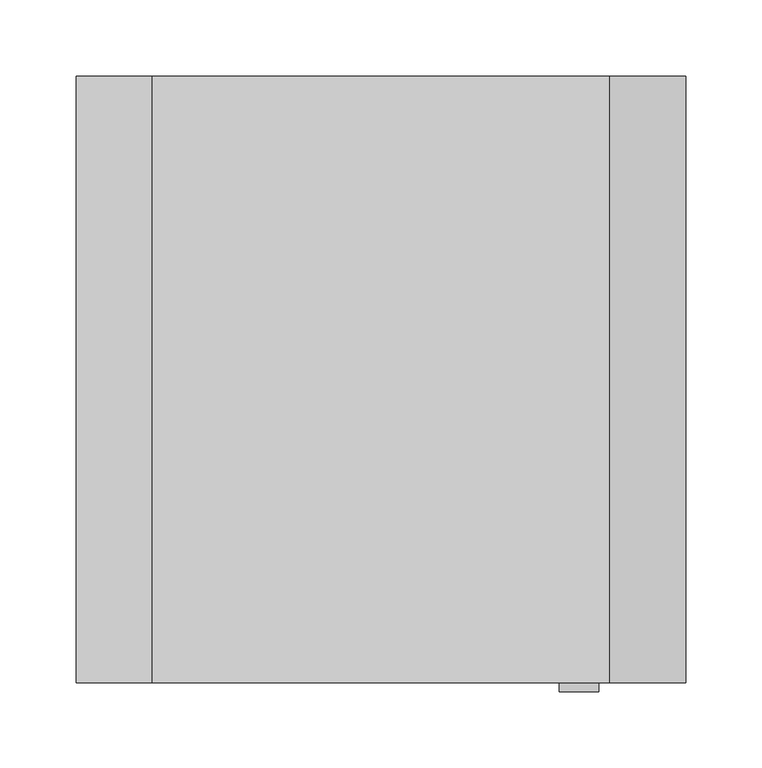
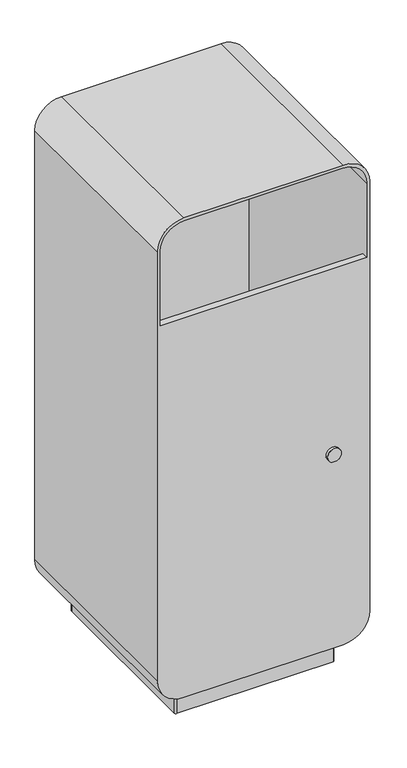
"""IFC4 building model written with IfcOpenShell, lengths in millimetres: furniture geometry."""

from ifc_helpers import new_model, si_unit, point, frame, frame_2d, origin, origin_with_axes, place, context, project, spatial, polyline, circle_curve, trimmed, segment, composite_curve, outline, extrude, source, transform, mapped, element, save
from ifc_brep_helpers import plane_surface, cylinder_surface, revolved_surface, advanced_brep


def furniture_badf641a(model_context):
    return source(origin(), model_context, "Body", "SolidModel", [
        advanced_brep(
        [(-200.0, 200.0, 100.0), (-200.0, 200.0, 953.0), (-150.0, 200.0, 1003.0), (150.0, 200.0, 1003.0), (200.0, 200.0, 953.0), (200.0, 200.0, 100.0), (150.0, 200.0, 50.0), (-150.0, 200.0, 50.0), (194.0, 200.0, 952.0), (149.0, 200.0, 997.0), (-149.0, 200.0, 997.0), (-194.0, 200.0, 952.0), (-194.0, 200.0, 804.0), (194.0, 200.0, 804.0), (-149.0, -197.9992599, 997.0), (-194.0, -197.9992599, 952.0), (149.0, -197.9992599, 997.0), (194.0, -197.9992599, 952.0), (194.0, 184.9992599, 804.0), (194.0, 184.9992599, 101.0), (194.0, -184.9992599, 101.0), (194.0, -184.9992599, 804.0), (194.0, -197.9992599, 804.0), (149.0, -184.9992599, 56.0), (149.0, 184.9992599, 56.0), (-149.0, -184.9992599, 56.0), (-149.0, 184.9992599, 56.0), (-194.0, -184.9992599, 101.0), (-194.0, 184.9992599, 101.0), (-194.0, -197.9992599, 804.0), (-194.0, -184.9992599, 804.0), (-194.0, 184.9992599, 804.0), (-150.0, -197.9992599, 50.0), (-200.0, -197.9992599, 100.0), (150.0, -197.9992599, 50.0), (200.0, -197.9992599, 100.0), (200.0, -197.9992599, 953.0), (150.0, -197.9992599, 1003.0), (-150.0, -197.9992599, 1003.0), (-200.0, -197.9992599, 953.0)],
        [
            (0, 1),
            (1, 2, circle_curve(frame((-150.0, 200.0, 953.0), z_axis=(0.0, 1.0, 0.0), x_axis=(1.0, 0.0, 0.0)), 50.0)),
            (2, 3),
            (3, 4, circle_curve(frame((150.0, 200.0, 953.0), z_axis=(0.0, 1.0, 0.0), x_axis=(1.0, 0.0, 0.0)), 50.0)),
            (4, 5),
            (5, 6, circle_curve(frame((150.0, 200.0, 100.0), z_axis=(0.0, 1.0, 0.0), x_axis=(1.0, 0.0, 0.0)), 50.0)),
            (6, 7),
            (7, 0, circle_curve(frame((-150.0, 200.0, 100.0), z_axis=(0.0, 1.0, 0.0), x_axis=(1.0, 0.0, 0.0)), 50.0)),
            (8, 9, circle_curve(frame((149.0, 200.0, 952.0), z_axis=(0.0, -1.0, 0.0), x_axis=(1.0, 0.0, 0.0)), 45.0)),
            (9, 10),
            (10, 11, circle_curve(frame((-149.0, 200.0, 952.0), z_axis=(0.0, -1.0, 0.0), x_axis=(1.0, 0.0, 0.0)), 45.0)),
            (11, 12),
            (12, 13),
            (13, 8),
            (14, 15, circle_curve(frame((-149.0, -197.9992599, 952.0), z_axis=(0.0, -1.0, 0.0), x_axis=(1.0, 0.0, 0.0)), 45.0)),
            (15, 11),
            (10, 14),
            (16, 14),
            (9, 16),
            (17, 16, circle_curve(frame((149.0, -197.9992599, 952.0), z_axis=(0.0, -1.0, 0.0), x_axis=(1.0, 0.0, 0.0)), 45.0)),
            (8, 17),
            (13, 18),
            (18, 19),
            (19, 20),
            (20, 21),
            (21, 22),
            (22, 17),
            (23, 20, circle_curve(frame((149.0, -184.9992599, 101.0), z_axis=(0.0, -1.0, 0.0), x_axis=(1.0, 0.0, 0.0)), 45.0)),
            (19, 24, circle_curve(frame((149.0, 184.9992599, 101.0), z_axis=(0.0, 1.0, 0.0), x_axis=(1.0, 0.0, 0.0)), 45.0)),
            (24, 23),
            (25, 23),
            (24, 26),
            (26, 25),
            (27, 25, circle_curve(frame((-149.0, -184.9992599, 101.0), z_axis=(0.0, -1.0, 0.0), x_axis=(1.0, 0.0, 0.0)), 45.0)),
            (26, 28, circle_curve(frame((-149.0, 184.9992599, 101.0), z_axis=(0.0, 1.0, 0.0), x_axis=(1.0, 0.0, 0.0)), 45.0)),
            (28, 27),
            (15, 29),
            (29, 30),
            (30, 27),
            (28, 31),
            (31, 12),
            (32, 33, circle_curve(frame((-150.0, -197.9992599, 100.0), z_axis=(0.0, 1.0, 0.0), x_axis=(1.0, 0.0, 0.0)), 50.0)),
            (33, 0),
            (7, 32),
            (34, 32),
            (6, 34),
            (35, 34, circle_curve(frame((150.0, -197.9992599, 100.0), z_axis=(0.0, 1.0, 0.0), x_axis=(1.0, 0.0, 0.0)), 50.0)),
            (5, 35),
            (36, 35),
            (4, 36),
            (37, 36, circle_curve(frame((150.0, -197.9992599, 953.0), z_axis=(0.0, 1.0, 0.0), x_axis=(1.0, 0.0, 0.0)), 50.0)),
            (3, 37),
            (38, 37),
            (2, 38),
            (39, 38, circle_curve(frame((-150.0, -197.9992599, 953.0), z_axis=(0.0, 1.0, 0.0), x_axis=(1.0, 0.0, 0.0)), 50.0)),
            (1, 39),
            (33, 39),
            (22, 29),
            (30, 21),
            (18, 31),
        ],
        [
            plane_surface(frame((-104.0, 200.0, 952.0), z_axis=(0.0, 1.0, 0.0), x_axis=(0.0, 0.0, 1.0))),
            revolved_surface(polyline([(-104.0, 200.0, 952.0), (-104.0, -197.99925989999997, 952.0)]), (-149.0, 200.0, 952.0), (0.0, 1.0, 0.0)),
            plane_surface(frame((-149.0, -197.9992599, 997.0), z_axis=(0.0, 0.0, -1.0), x_axis=(0.0, 1.0, 0.0))),
            revolved_surface(polyline([(194.0, 200.0, 952.0), (194.0, -197.99925989999997, 952.0)]), (149.0, 200.0, 952.0), (0.0, 1.0, 0.0)),
            plane_surface(frame((194.0, -197.9992599, 952.0), z_axis=(-1.0, 0.0, 0.0), x_axis=(0.0, 1.0, 0.0))),
            revolved_surface(polyline([(194.0, 184.9992599, 101.0), (194.0, -184.99925989999997, 101.0)]), (149.0, 200.0, 101.0), (0.0, 1.0, 0.0)),
            plane_surface(frame((149.0, -197.9992599, 56.0), z_axis=(0.0, 0.0, 1.0), x_axis=(0.0, 1.0, 0.0))),
            revolved_surface(polyline([(-104.0, 184.9992599, 101.0), (-104.0, -184.99925989999997, 101.0)]), (-149.0, 200.0, 101.0), (0.0, 1.0, 0.0)),
            plane_surface(frame((-194.0, -197.9992599, 101.0), z_axis=(1.0, 0.0, 0.0), x_axis=(0.0, 1.0, 0.0))),
            cylinder_surface(frame((-150.0, 0.0, 100.0), z_axis=(0.0, -1.0, 0.0), x_axis=(1.0, 0.0, 0.0)), 50.0),
            plane_surface(frame((-150.0, -197.9992599, 50.0), z_axis=(0.0, 0.0, -1.0), x_axis=(0.0, 1.0, 0.0))),
            cylinder_surface(frame((150.0, 0.0, 100.0), z_axis=(0.0, -1.0, 0.0), x_axis=(1.0, 0.0, 0.0)), 50.0),
            plane_surface(frame((200.0, -197.9992599, 100.0), z_axis=(1.0, 0.0, 0.0), x_axis=(0.0, 1.0, 0.0))),
            cylinder_surface(frame((150.0, 0.0, 953.0), z_axis=(0.0, -1.0, 0.0), x_axis=(1.0, 0.0, 0.0)), 50.0),
            plane_surface(frame((150.0, -197.9992599, 1003.0), z_axis=(0.0, 0.0, 1.0), x_axis=(0.0, 1.0, 0.0))),
            cylinder_surface(frame((-150.0, 0.0, 953.0), z_axis=(0.0, -1.0, 0.0), x_axis=(1.0, 0.0, 0.0)), 50.0),
            plane_surface(frame((-200.0, -197.9992599, 953.0), z_axis=(-1.0, 0.0, 0.0), x_axis=(0.0, 1.0, 0.0))),
            plane_surface(frame((-194.0, -197.9992599, 101.0), z_axis=(0.0, -1.0, 0.0), x_axis=(0.0, 0.0, -1.0))),
            plane_surface(frame((-194.0, -184.9992599, 101.0), z_axis=(0.0, 1.0, 0.0), x_axis=(0.0, 0.0, 1.0))),
            plane_surface(frame((194.0, -197.9992599, 804.0), z_axis=(0.0, 0.0, 1.0), x_axis=(0.0, 1.0, 0.0))),
            plane_surface(frame((183.0, 184.9992599, 804.0), z_axis=(0.0, -1.0, 0.0), x_axis=(-1.0, 0.0, 0.0))),
            plane_surface(frame((-194.0, 200.0, 804.0), z_axis=(0.0, 0.0, 1.0), x_axis=(0.0, -1.0, 0.0))),
        ],
        [
            (0, [[1, 2, 3, 4, 5, 6, 7, 8], [9, 10, 11, 12, 13, 14]]),
            (1, [[15, 16, -11, 17]]),
            (2, [[18, -17, -10, 19]]),
            (3, [[20, -19, -9, 21]]),
            (4, [[-21, -14, 22, 23, 24, 25, 26, 27]]),
            (5, [[28, -24, 29, 30]]),
            (6, [[31, -30, 32, 33]]),
            (7, [[34, -33, 35, 36]]),
            (8, [[-16, 37, 38, 39, -36, 40, 41, -12]]),
            (9, [[42, 43, -8, 44]]),
            (10, [[45, -44, -7, 46]]),
            (11, [[47, -46, -6, 48]]),
            (12, [[49, -48, -5, 50]]),
            (13, [[51, -50, -4, 52]]),
            (14, [[53, -52, -3, 54]]),
            (15, [[55, -54, -2, 56]]),
            (16, [[57, -56, -1, -43]]),
            (17, [[-42, -45, -47, -49, -51, -53, -55, -57], [58, -37, -15, -18, -20, -27]]),
            (18, [[59, -25, -28, -31, -34, -39]]),
            (19, [[-58, -26, -59, -38]]),
            (20, [[60, -40, -35, -32, -29, -23]]),
            (21, [[-13, -41, -60, -22]]),
        ],
    ),
        extrude(outline(composite_curve([segment(polyline([(-150.0, -167.0462242), (-150.0, 167.0)]), True, "CONTINUOUS"), segment(trimmed(circle_curve(frame_2d((-147.0, 167.0)), 3.0), [point((-150.0, 167.0))], [point((-147.0, 170.0))], False, "CARTESIAN"), True, "CONTINUOUS"), segment(polyline([(-147.0, 170.0), (147.0, 170.0)]), True, "CONTINUOUS"), segment(trimmed(circle_curve(frame_2d((147.0, 167.0)), 3.0), [point((147.0, 170.0))], [point((150.0, 167.0))], False, "CARTESIAN"), True, "CONTINUOUS"), segment(polyline([(150.0, 167.0), (150.0, -167.0)]), True, "CONTINUOUS"), segment(trimmed(circle_curve(frame_2d((147.0, -167.0)), 3.0), [point((150.0, -167.0))], [point((147.0, -170.0))], False, "CARTESIAN"), True, "CONTINUOUS"), segment(polyline([(147.0, -170.0), (-147.0462242, -170.0)]), True, "CONTINUOUS"), segment(trimmed(circle_curve(frame_2d((-147.0462242, -167.0462242)), 2.9537758), [point((-147.0462242, -170.0))], [point((-150.0, -167.0462242))], False, "CARTESIAN"), True, "CONTINUOUS")], self_intersect=False)), origin_with_axes(), (0.0, 0.0, 1.0), 50.0),
        extrude(outline(composite_curve([segment(trimmed(circle_curve(frame_2d((436.8806018, 130.0)), 13.0), [point((436.8806018, 143.0))], [point((436.8806018, 117.0))], False, "CARTESIAN"), True, "CONTINUOUS"), segment(trimmed(circle_curve(frame_2d((436.8806018, 130.0)), 13.0), [point((436.8806018, 117.0))], [point((436.8806018, 143.0))], False, "CARTESIAN"), True, "CONTINUOUS")], self_intersect=False)), frame((0.0, -203.7902175, 0.0), z_axis=(0.0, 1.0, 0.0), x_axis=(0.0, 0.0, 1.0)), (0.0, 0.0, 1.0), 18.7909576),
    ])


if __name__ == "__main__":
    model = new_model("IFC4")
    model_context = context("Model", 3, world=origin())
    ifc_project = project(units=[si_unit("LENGTHUNIT", "METRE", prefix="MILLI")], contexts=[model_context])
    site = spatial("IfcSite", under=ifc_project)
    building = spatial("IfcBuilding", under=site)
    placement = place(None, origin())
    furniture_shape = furniture_badf641a(model_context)
    element("IfcFurniture", 1, at=placement, inside=building, context=model_context, shape_type="MappedRepresentation", body=[
        mapped(furniture_shape, transform((0.0, 0.0, 0.0), x_axis=(1.0, 0.0, 0.0), y_axis=(0.0, 1.0, 0.0), z_axis=(0.0, 0.0, 1.0))),
    ])
    save(model, "model.ifc")
